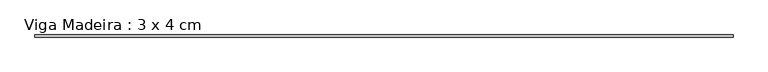
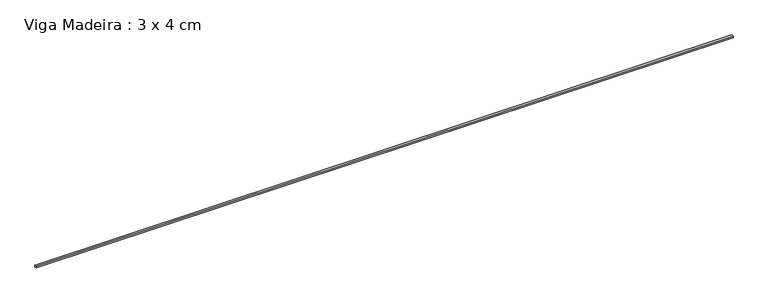
"""IFC4 building model written with IfcOpenShell, lengths in millimetres: beam geometry, Viga Madeira : 3 x 4 cm."""

from ifc_helpers import new_model, si_unit, frame, origin, place, context, project, spatial, polyline, outline, extrude, source, transform, mapped, element, save


def viga_madeira_3_x_4_cm_7fbfd6b2(model_context):
    return source(origin(), model_context, "Body", "SweptSolid", [
        extrude(outline(polyline([(6422.913493, 20.0), (6422.913493, -20.0), (-6422.913493, -20.0), (-6422.913493, 20.0), (6422.913493, 20.0)])), frame((0.0, 0.0, -15.0), z_axis=(0.0, 0.0, 1.0), x_axis=(1.0, 0.0, 0.0)), (0.0, 0.0, 1.0), 30.0),
    ])


if __name__ == "__main__":
    model = new_model("IFC4")
    model_context = context("Model", 3, world=origin())
    ifc_project = project(units=[si_unit("LENGTHUNIT", "METRE", prefix="MILLI")], contexts=[model_context])
    site = spatial("IfcSite", under=ifc_project)
    building = spatial("IfcBuilding", under=site)
    placement = place(None, origin())
    viga_madeira_3_x_4_cm_shape = viga_madeira_3_x_4_cm_7fbfd6b2(model_context)
    element("IfcBeam", 1, ObjectType="Viga Madeira : 3 x 4 cm", at=placement, inside=building, context=model_context, shape_type="MappedRepresentation", body=[
        mapped(viga_madeira_3_x_4_cm_shape, transform((0.0, 0.0, 0.0), x_axis=(1.0, 0.0, 0.0), y_axis=(0.0, 1.0, 0.0), z_axis=(0.0, 0.0, 1.0))),
    ])
    save(model, "model.ifc")
